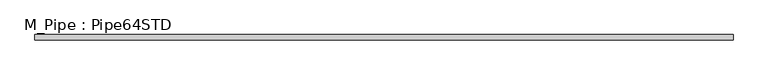
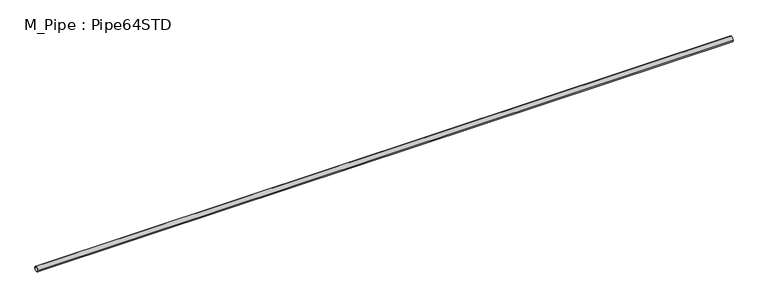
"""IFC4 building model written with IfcOpenShell, lengths in millimetres: member geometry, M_Pipe : Pipe64STD."""

from ifc_helpers import new_model, si_unit, point, frame, origin, origin_2d, place, context, project, spatial, circle_curve, trimmed, segment, composite_curve, outline, extrude, source, transform, mapped, element, save


def m_pipe_pipe64std_df36fdfc(model_context):
    return source(origin(), model_context, "Body", "SweptSolid", [
        extrude(outline(composite_curve([segment(trimmed(circle_curve(origin_2d(), 36.6), [point((-36.6, 0.0))], [point((36.6, 0.0))], False, "CARTESIAN"), True, "CONTINUOUS"), segment(trimmed(circle_curve(origin_2d(), 36.6), [point((36.6, 0.0))], [point((-36.6, 0.0))], False, "CARTESIAN"), True, "CONTINUOUS")], self_intersect=False), holes=[composite_curve([segment(trimmed(circle_curve(origin_2d(), 31.44), [point((31.44, 0.0))], [point((-31.44, 0.0))], True, "CARTESIAN"), True, "CONTINUOUS"), segment(trimmed(circle_curve(origin_2d(), 31.44), [point((-31.44, 0.0))], [point((31.44, 0.0))], True, "CARTESIAN"), True, "CONTINUOUS")], self_intersect=False)]), frame((-4927.9, 0.0, 0.0), z_axis=(1.0, 0.0, 0.0), x_axis=(0.0, 1.0, 0.0)), (0.0, 0.0, 1.0), 9849.5),
    ])


if __name__ == "__main__":
    model = new_model("IFC4")
    model_context = context("Model", 3, world=origin())
    ifc_project = project(units=[si_unit("LENGTHUNIT", "METRE", prefix="MILLI")], contexts=[model_context])
    site = spatial("IfcSite", under=ifc_project)
    building = spatial("IfcBuilding", under=site)
    placement = place(None, origin())
    m_pipe_pipe64std_shape = m_pipe_pipe64std_df36fdfc(model_context)
    element("IfcMember", 1, ObjectType="M_Pipe : Pipe64STD", at=placement, inside=building, context=model_context, shape_type="MappedRepresentation", body=[
        mapped(m_pipe_pipe64std_shape, transform((0.0, 0.0, 0.0), x_axis=(1.0, 0.0, 0.0), y_axis=(0.0, 1.0, 0.0), z_axis=(0.0, 0.0, 1.0))),
    ])
    save(model, "model.ifc")
